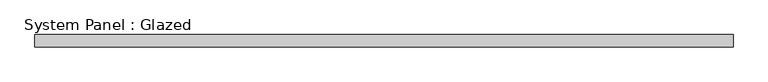
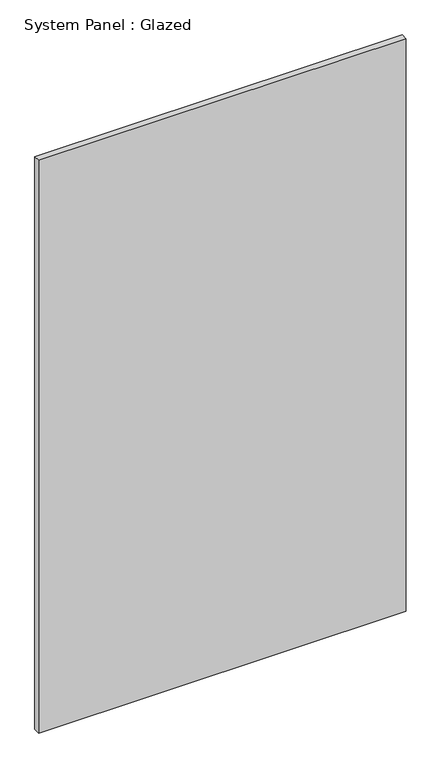
"""IFC4 building model written with IfcOpenShell, lengths in millimetres: plate geometry, System Panel : Glazed."""

import ifcopenshell
import ifcopenshell.guid

model = None  # the IFC model being written
_history = None  # IfcOwnerHistory: only IFC2X3 demands one
_inside = {}  # id of a spatial element -> (the spatial element, [elements in it])
_under = {}  # id of a project, library or spatial element -> (it, [spatial elements below it])
_declared = {}  # id of a project -> (the project, [libraries it declares])
_typed = {}  # id of a type object -> (the type object, [elements of that type])
_made_of = {}  # id of a material, layer set ... -> (it, [elements and type objects made of it])


def new_model(schema):
    """Start an empty IFC model of exactly this schema.

    Asked for "IFC4X3", IfcOpenShell would pick the latest addendum, in which some entities
    have other attributes; the version numbers below select the first issue.
    IFC2X3 requires an IfcOwnerHistory on every rooted entity: one is made here for all.
    """
    global model, _history
    if schema == "IFC4X3":
        model = ifcopenshell.file(schema_version=(4, 3, 0, 0))
    else:
        model = ifcopenshell.file(schema=schema)
    _inside.clear()
    _under.clear()
    _declared.clear()
    _typed.clear()
    _made_of.clear()
    _history = None
    if model.schema == "IFC2X3":
        org = make("IfcOrganization", Name="unknown")
        user = make(
            "IfcPersonAndOrganization",
            ThePerson=make("IfcPerson", FamilyName="unknown"),
            TheOrganization=org,
        )
        app = make(
            "IfcApplication",
            ApplicationDeveloper=org,
            Version="unknown",
            ApplicationFullName="unknown",
            ApplicationIdentifier="unknown",
        )
        _history = make(
            "IfcOwnerHistory",
            OwningUser=user,
            OwningApplication=app,
            ChangeAction="ADDED",
            CreationDate=0,
        )
    return model


def make(cls, **values):
    """One entity of the class cls with the attributes given. An attribute that is None is left unset."""
    return model.create_entity(
        cls, **{name: value for name, value in values.items() if value is not None}
    )


def rooted(cls, **values):
    """An entity with a GlobalId (a new one), such as an element, a storey or a relation."""
    return make(cls, GlobalId=ifcopenshell.guid.new(), OwnerHistory=_history, **values)


def si_unit(unit_type, name, prefix=None):
    """IfcSIUnit, for example si_unit("LENGTHUNIT", "METRE", prefix="MILLI")."""
    return make("IfcSIUnit", UnitType=unit_type, Prefix=prefix, Name=name)


def assignment(units):
    """IfcUnitAssignment: the units of a project."""
    return None if units is None else make("IfcUnitAssignment", Units=units)


def point(xyz):
    """IfcCartesianPoint."""
    return None if xyz is None else make("IfcCartesianPoint", Coordinates=xyz)


def direction(xyz):
    """IfcDirection."""
    return None if xyz is None else make("IfcDirection", DirectionRatios=xyz)


def frame(location, z_axis=None, x_axis=None):
    """IfcAxis2Placement3D, a coordinate frame: its origin and axes. An axis left out is left unset."""
    return make(
        "IfcAxis2Placement3D",
        Location=point(location),
        Axis=direction(z_axis),
        RefDirection=direction(x_axis),
    )


def origin():
    """The frame at (0, 0, 0) with its axes left unset."""
    return frame((0.0, 0.0, 0.0))


def origin_with_axes():
    """The frame at (0, 0, 0) with the z axis (0, 0, 1) and the x axis (1, 0, 0) written out."""
    return frame((0.0, 0.0, 0.0), z_axis=(0.0, 0.0, 1.0), x_axis=(1.0, 0.0, 0.0))


def place(relative_to, where):
    """IfcLocalPlacement: puts the frame where relative to a parent placement (None: the world)."""
    return make(
        "IfcLocalPlacement", PlacementRelTo=relative_to, RelativePlacement=where
    )


def context(
    kind, dimensions, precision=None, world=None, true_north=None, identifier=None
):
    """IfcGeometricRepresentationContext, for example the 3D "Model" context."""
    return make(
        "IfcGeometricRepresentationContext",
        ContextIdentifier=identifier,
        ContextType=kind,
        CoordinateSpaceDimension=dimensions,
        Precision=precision,
        WorldCoordinateSystem=world,
        TrueNorth=true_north,
    )


def project(units=None, contexts=None):
    """IfcProject with its units and contexts."""
    return rooted(
        "IfcProject",
        Name="project",
        RepresentationContexts=contexts,
        UnitsInContext=assignment(units),
    )


def spatial(cls, under=None, at=None, **own):
    """A site, building, storey or space (cls), placed at a placement, below another one or the project."""
    s = rooted(cls, ObjectPlacement=at, **own)
    if under is not None:
        _under.setdefault(under.id(), (under, []))[1].append(s)
    return s


def polyline(points):
    """IfcPolyline through the points."""
    return make("IfcPolyline", Points=[point(p) for p in points])


def outline(outer, holes=None, kind="AREA"):
    """IfcArbitraryClosedProfileDef: a profile drawn as a closed curve; with holes, ...WithVoids."""
    if holes is None:
        return make("IfcArbitraryClosedProfileDef", ProfileType=kind, OuterCurve=outer)
    return make(
        "IfcArbitraryProfileDefWithVoids",
        ProfileType=kind,
        OuterCurve=outer,
        InnerCurves=holes,
    )


def extrude(swept, where, along, depth):
    """IfcExtrudedAreaSolid: the profile swept, set in the frame where, extruded along a direction by depth."""
    return make(
        "IfcExtrudedAreaSolid",
        SweptArea=swept,
        Position=where,
        ExtrudedDirection=direction(along),
        Depth=depth,
    )


def shape(context_of_items, identifier, shape_type, items):
    """IfcShapeRepresentation: the items that make up one representation, for example the "Body"."""
    return make(
        "IfcShapeRepresentation",
        ContextOfItems=context_of_items,
        RepresentationIdentifier=identifier,
        RepresentationType=shape_type,
        Items=items,
    )


def source(mapping_origin, context_of_items, identifier, shape_type, items):
    """IfcRepresentationMap: a shape defined once, which mapped items show again and again."""
    return make(
        "IfcRepresentationMap",
        MappingOrigin=mapping_origin,
        MappedRepresentation=shape(context_of_items, identifier, shape_type, items),
    )


def transform(
    local_origin,
    x_axis=None,
    y_axis=None,
    z_axis=None,
    scale=None,
    scale2=None,
    scale3=None,
    uniform=True,
):
    """IfcCartesianTransformationOperator3D, or its non-uniform kind. x_axis, y_axis, z_axis: its Axis1, 2, 3."""
    if uniform:
        return make(
            "IfcCartesianTransformationOperator3D",
            Axis1=direction(x_axis),
            Axis2=direction(y_axis),
            LocalOrigin=point(local_origin),
            Scale=scale,
            Axis3=direction(z_axis),
        )
    return make(
        "IfcCartesianTransformationOperator3DnonUniform",
        Axis1=direction(x_axis),
        Axis2=direction(y_axis),
        LocalOrigin=point(local_origin),
        Scale=scale,
        Axis3=direction(z_axis),
        Scale2=scale2,
        Scale3=scale3,
    )


def mapped(mapping_source, mapping_target):
    """IfcMappedItem: shows the shape of a source again, moved by a transform."""
    return make(
        "IfcMappedItem", MappingSource=mapping_source, MappingTarget=mapping_target
    )


def made_of(thing, what):
    """Note that an element or type object is made of a material, layer set ...; save() writes the relation."""
    if what is not None:
        _made_of.setdefault(what.id(), (what, []))[1].append(thing)
    return thing


def element(
    cls,
    number,
    at=None,
    inside=None,
    cuts=None,
    type_object=None,
    material=None,
    context=None,
    identifier="Body",
    shape_type=None,
    held_by="IfcProductDefinitionShape",
    body=None,
    shapes=None,
    **own,
):
    """One element of the class cls, such as IfcWall. Its Tag is "e" and its number.

    at: its placement. inside: the storey or other place that contains it. cuts: it is an
    opening in that element (IfcRelVoidsElement). A single representation is given by context,
    identifier, shape_type and body (its items); several are given by shapes. held_by: the class
    of the entity that holds the representations. save() writes the other relations.
    """
    e = rooted(cls, Tag="e%d" % number, ObjectPlacement=at, **own)
    if body is not None:
        shapes = [shape(context, identifier, shape_type, body)]
    if shapes is not None:
        e.Representation = make(held_by, Representations=shapes)
    if inside is not None:
        _inside.setdefault(inside.id(), (inside, []))[1].append(e)
    if cuts is not None:
        rooted(
            "IfcRelVoidsElement", RelatingBuildingElement=cuts, RelatedOpeningElement=e
        )
    if type_object is not None:
        _typed.setdefault(type_object.id(), (type_object, []))[1].append(e)
    return made_of(e, material)


def aggregate(whole, parts):
    """IfcRelAggregates: a whole, such as a stair, and the parts it consists of."""
    return rooted("IfcRelAggregates", RelatingObject=whole, RelatedObjects=parts)


def save(model, path):
    """Write the relations noted so far, then the file.

    IfcRelAggregates (storeys below a building ...), IfcRelContainedInSpatialStructure (elements
    in a storey), IfcRelDefinesByType, IfcRelAssociatesMaterial and IfcRelDeclares: one each for
    every whole, place, type object, material and project.
    """
    for whole, parts in _under.values():
        aggregate(whole, parts)
    for where, things in _inside.values():
        rooted(
            "IfcRelContainedInSpatialStructure",
            RelatedElements=things,
            RelatingStructure=where,
        )
    for kind, things in _typed.values():
        rooted("IfcRelDefinesByType", RelatedObjects=things, RelatingType=kind)
    for what, things in _made_of.values():
        rooted("IfcRelAssociatesMaterial", RelatedObjects=things, RelatingMaterial=what)
    for by, libraries in _declared.values():
        rooted("IfcRelDeclares", RelatingContext=by, RelatedDefinitions=libraries)
    model.write(path)


def system_panel_glazed_09d66eb3(model_context):
    return source(origin(), model_context, "Body", "SweptSolid", [
        extrude(outline(polyline([(705.8333333, 24.5), (-705.8333333, 24.5), (-705.8333333, 49.5), (705.8333333, 49.5), (705.8333333, 24.5)])), origin_with_axes(), (0.0, 0.0, 1.0), 2325.0),
    ])


if __name__ == "__main__":
    model = new_model("IFC4")
    model_context = context("Model", 3, world=origin())
    ifc_project = project(units=[si_unit("LENGTHUNIT", "METRE", prefix="MILLI")], contexts=[model_context])
    site = spatial("IfcSite", under=ifc_project)
    building = spatial("IfcBuilding", under=site)
    placement = place(None, origin())
    system_panel_glazed_shape = system_panel_glazed_09d66eb3(model_context)
    element("IfcPlate", 1, ObjectType="System Panel : Glazed", at=placement, inside=building, context=model_context, shape_type="MappedRepresentation", body=[
        mapped(system_panel_glazed_shape, transform((0.0, 0.0, 0.0), x_axis=(1.0, 0.0, 0.0), y_axis=(0.0, 1.0, 0.0), z_axis=(0.0, 0.0, 1.0))),
    ])
    save(model, "model.ifc")
